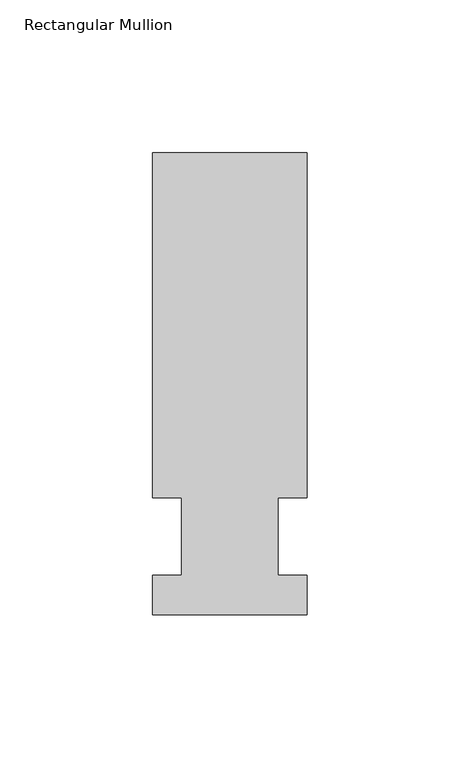
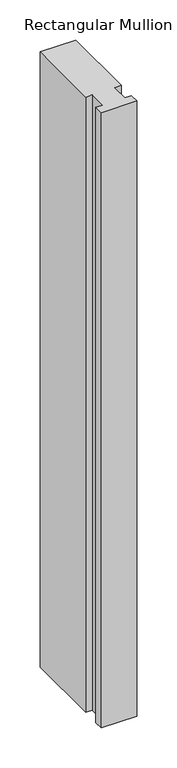
"""IFC4 building model written with IfcOpenShell, lengths in millimetres: member geometry, Rectangular Mullion."""

from ifc_helpers import new_model, si_unit, frame, origin, place, context, project, spatial, polyline, outline, extrude, source, transform, mapped, element, save


def rectangular_mullion_831efb7f(model_context):
    return source(origin(), model_context, "Body", "SweptSolid", [
        extrude(outline(polyline([(-25.4, -25.796875), (-25.4, -12.7), (-15.875, -12.7), (-15.875, 12.7), (-25.4, 12.7), (-25.4, 125.809375), (25.4, 125.809375), (25.4, 12.7), (15.875, 12.7), (15.875, -12.7), (25.4, -12.7), (25.4, -25.796875), (-25.4, -25.796875)])), frame((0.0, 0.0, -933.45), z_axis=(0.0, 0.0, 1.0), x_axis=(1.0, 0.0, 0.0)), (0.0, 0.0, 1.0), 933.45),
    ])


if __name__ == "__main__":
    model = new_model("IFC4")
    model_context = context("Model", 3, world=origin())
    ifc_project = project(units=[si_unit("LENGTHUNIT", "METRE", prefix="MILLI")], contexts=[model_context])
    site = spatial("IfcSite", under=ifc_project)
    building = spatial("IfcBuilding", under=site)
    placement = place(None, origin())
    rectangular_mullion_shape = rectangular_mullion_831efb7f(model_context)
    element("IfcMember", 1, ObjectType="Rectangular Mullion", at=placement, inside=building, context=model_context, shape_type="MappedRepresentation", body=[
        mapped(rectangular_mullion_shape, transform((0.0, 0.0, 0.0), x_axis=(1.0, 0.0, 0.0), y_axis=(0.0, 1.0, 0.0), z_axis=(0.0, 0.0, 1.0))),
    ])
    save(model, "model.ifc")
